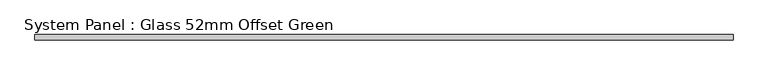
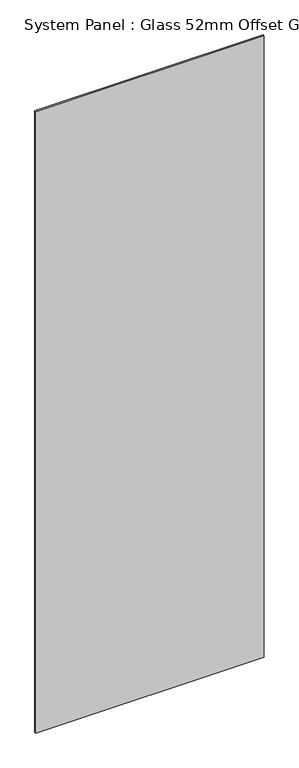
"""IFC4 building model written with IfcOpenShell, lengths in millimetres: plate geometry, System Panel : Glass 52mm Offset Green."""

from ifc_helpers import new_model, si_unit, origin, origin_with_axes, place, context, project, spatial, polyline, outline, extrude, source, transform, mapped, element, save


def system_panel_glass_52mm_offset_green_f191ee3e(model_context):
    return source(origin(), model_context, "Body", "SweptSolid", [
        extrude(outline(polyline([(673.267, -57.0), (-673.267, -57.0), (-673.267, -47.0), (673.267, -47.0), (673.267, -57.0)])), origin_with_axes(), (0.0, 0.0, 1.0), 3870.5),
    ])


if __name__ == "__main__":
    model = new_model("IFC4")
    model_context = context("Model", 3, world=origin())
    ifc_project = project(units=[si_unit("LENGTHUNIT", "METRE", prefix="MILLI")], contexts=[model_context])
    site = spatial("IfcSite", under=ifc_project)
    building = spatial("IfcBuilding", under=site)
    placement = place(None, origin())
    system_panel_glass_52mm_offset_green_shape = system_panel_glass_52mm_offset_green_f191ee3e(model_context)
    element("IfcPlate", 1, ObjectType="System Panel : Glass 52mm Offset Green", at=placement, inside=building, context=model_context, shape_type="MappedRepresentation", body=[
        mapped(system_panel_glass_52mm_offset_green_shape, transform((0.0, 0.0, 0.0), x_axis=(1.0, 0.0, 0.0), y_axis=(0.0, 1.0, 0.0), z_axis=(0.0, 0.0, 1.0))),
    ])
    save(model, "model.ifc")
